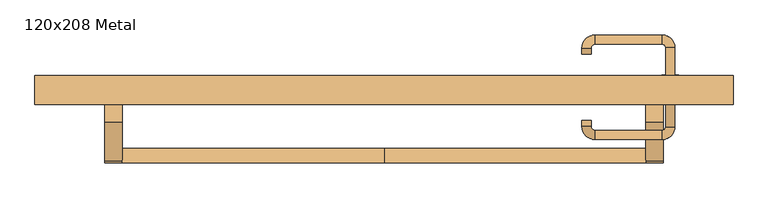
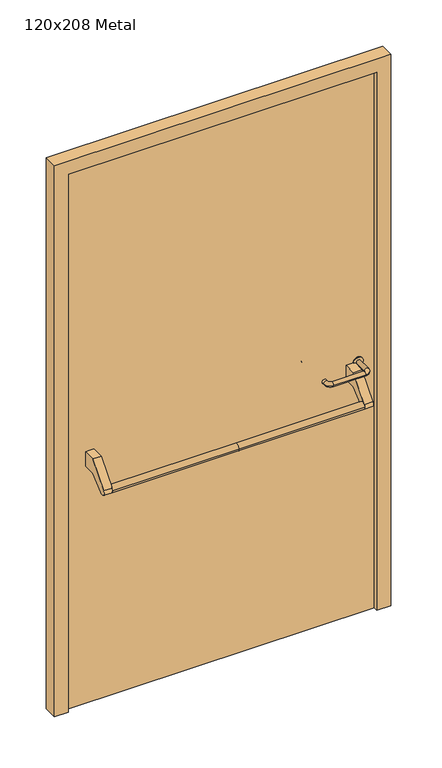
"""IFC4 building model written with IfcOpenShell, lengths in millimetres: door geometry, 120x208 Metal."""

from ifc_helpers import new_model, si_unit, point, frame, frame_2d, origin, origin_with_axes, place, context, project, spatial, polyline, circle_curve, ellipse_curve, trimmed, segment, composite_curve, outline, extrude, source, transform, mapped, element, save
from ifc_brep_helpers import plane_surface, cylinder_surface, revolved_surface, advanced_brep


def door_120x208_metal_aecf85a4(model_context):
    return source(origin(), model_context, "Body", "SolidModel", [
        advanced_brep(
        [(-450.0, 14.5828565, 861.5304884), (-450.0, -10.4171435, 861.5304884), (0.0, 14.5828565, 861.5304884), (0.0, -10.4171435, 861.5304884), (450.0, 14.5828565, 861.5304884), (450.0, -10.4171435, 861.5304884)],
        [
            (0, 1, circle_curve(frame((-450.0, 2.0828565, 861.5304884), z_axis=(-1.0, 0.0, 0.0), x_axis=(0.0, -1.0, 0.0)), 12.5)),
            (1, 0, circle_curve(frame((-450.0, 2.0828565, 861.5304884), z_axis=(-1.0, 0.0, 0.0), x_axis=(0.0, -1.0, 0.0)), 12.5)),
            (0, 2),
            (2, 3, circle_curve(frame((0.0, 2.0828565, 861.5304884), z_axis=(-1.0, 0.0, 0.0), x_axis=(0.0, -1.0, 0.0)), 12.5)),
            (3, 1),
            (3, 2, circle_curve(frame((0.0, 2.0828565, 861.5304884), z_axis=(-1.0, 0.0, 0.0), x_axis=(0.0, -1.0, 0.0)), 12.5)),
            (4, 5, circle_curve(frame((450.0, 2.0828565, 861.5304884), z_axis=(1.0, 0.0, 0.0), x_axis=(0.0, -1.0, 0.0)), 12.5)),
            (5, 4, circle_curve(frame((450.0, 2.0828565, 861.5304884), z_axis=(1.0, 0.0, 0.0), x_axis=(0.0, -1.0, 0.0)), 12.5)),
            (5, 3),
            (2, 4),
        ],
        [
            plane_surface(frame((-450.0, -10.4171435, 861.5304884), z_axis=(-1.0, 0.0, 0.0), x_axis=(0.0, 0.0, -1.0))),
            cylinder_surface(frame((-450.0, 2.0828565, 861.5304884), z_axis=(1.0, 0.0, 0.0), x_axis=(0.0, -1.0, 0.0)), 12.5),
            plane_surface(frame((450.0, -10.4171435, 861.5304884), z_axis=(1.0, 0.0, 0.0), x_axis=(0.0, 0.0, 1.0))),
            cylinder_surface(frame((0.0, 2.0828565, 861.5304884), z_axis=(1.0, 0.0, 0.0), x_axis=(0.0, -1.0, 0.0)), 12.5),
        ],
        [
            (0, [[1, 2]]),
            (1, [[3, 4, 5, -1]]),
            (1, [[-5, 6, -3, -2]]),
            (2, [[7, 8]]),
            (3, [[9, -4, 10, -8]]),
            (3, [[-10, -6, -9, -7]]),
        ],
    ),
        extrude(outline(composite_curve([segment(polyline([(60.0, 950.0), (105.0, 950.0), (105.0, 895.2768379), (61.4513009, 895.2768379), (11.6584121, 853.4956432)]), True, "CONTINUOUS"), segment(trimmed(circle_curve(frame_2d((2.0828565, 861.5304884)), 12.5), [point((11.6584121, 853.4956432))], [point((-7.492699, 869.5653335))], False, "CARTESIAN"), True, "CONTINUOUS"), segment(polyline([(-7.492699, 869.5653335), (60.0, 950.0)]), True, "CONTINUOUS")], self_intersect=False)), frame((-480.0, 0.0, 0.0), z_axis=(1.0, 0.0, 0.0), x_axis=(0.0, 1.0, 0.0)), (0.0, 0.0, 1.0), 30.0),
        extrude(outline(composite_curve([segment(polyline([(60.0, 950.0), (105.0, 950.0), (105.0, 895.2768379), (61.4513009, 895.2768379), (11.6584121, 853.4956432)]), True, "CONTINUOUS"), segment(trimmed(circle_curve(frame_2d((2.0828565, 861.5304884)), 12.5), [point((11.6584121, 853.4956432))], [point((-7.492699, 869.5653335))], False, "CARTESIAN"), True, "CONTINUOUS"), segment(polyline([(-7.492699, 869.5653335), (60.0, 950.0)]), True, "CONTINUOUS")], self_intersect=False)), frame((450.0, 0.0, 0.0), z_axis=(1.0, 0.0, 0.0), x_axis=(0.0, 1.0, 0.0)), (0.0, 0.0, 1.0), 30.0),
        extrude(outline(composite_curve([segment(trimmed(circle_curve(frame_2d((897.3605726, 492.0)), 15.0), [point((897.3605726, 507.0))], [point((897.3605726, 477.0))], False, "CARTESIAN"), True, "CONTINUOUS"), segment(trimmed(circle_curve(frame_2d((897.3605726, 492.0)), 15.0), [point((897.3605726, 477.0))], [point((897.3605726, 507.0))], False, "CARTESIAN"), True, "CONTINUOUS")], self_intersect=False), holes=[composite_curve([segment(trimmed(circle_curve(frame_2d((892.5833211, 491.9398032)), 2.0), [point((892.5833211, 493.9398032))], [point((892.5833211, 489.9398032))], True, "CARTESIAN"), True, "CONTINUOUS"), segment(polyline([(892.5833211, 489.9398032), (902.5833211, 489.9398032)]), True, "CONTINUOUS"), segment(trimmed(circle_curve(frame_2d((902.5833211, 491.9398032)), 2.0), [point((902.5833211, 489.9398032))], [point((902.5833211, 493.9398032))], True, "CARTESIAN"), True, "CONTINUOUS"), segment(polyline([(902.5833211, 493.9398032), (892.5833211, 493.9398032)]), True, "CONTINUOUS")], self_intersect=False)]), frame((0.0, 98.65, 0.0), z_axis=(0.0, 1.0, 0.0), x_axis=(0.0, 0.0, 1.0)), (0.0, 0.0, 1.0), 6.35),
        extrude(outline(composite_curve([segment(trimmed(circle_curve(frame_2d((950.0, 492.0)), 17.526), [point((950.0, 509.526))], [point((950.0, 474.474))], False, "CARTESIAN"), True, "CONTINUOUS"), segment(trimmed(circle_curve(frame_2d((950.0, 492.0)), 17.526), [point((950.0, 474.474))], [point((950.0, 509.526))], False, "CARTESIAN"), True, "CONTINUOUS")], self_intersect=False)), frame((0.0, 101.825, 0.0), z_axis=(0.0, 1.0, 0.0), x_axis=(0.0, 0.0, 1.0)), (0.0, 0.0, 1.0), 3.175),
        advanced_brep(
        [(500.0, 105.0, 950.0), (484.0, 105.0, 950.0), (484.0, 52.0, 950.0), (500.0, 52.0, 950.0), (477.8578644, 45.8578644, 950.0), (477.8578644, 29.8578644, 950.0), (362.8578644, 45.8578644, 950.0), (362.8578644, 29.8578644, 950.0), (356.008622, 52.7071068, 950.0), (340.008622, 52.7071068, 950.0), (340.008622, 62.7071068, 950.0), (356.008622, 62.7071068, 950.0)],
        [
            (0, 1, circle_curve(frame((492.0, 105.0, 950.0), z_axis=(0.0, 1.0, 0.0), x_axis=(-1.0, 0.0, 0.0)), 8.0)),
            (1, 0, circle_curve(frame((492.0, 105.0, 950.0), z_axis=(0.0, 1.0, 0.0), x_axis=(-1.0, 0.0, 0.0)), 8.0)),
            (1, 2),
            (2, 3, circle_curve(frame((492.0, 52.0, 950.0), z_axis=(0.0, 1.0, 0.0), x_axis=(-1.0, 0.0, 0.0)), 8.0)),
            (3, 0),
            (3, 2, circle_curve(frame((492.0, 52.0, 950.0), z_axis=(0.0, 1.0, 0.0), x_axis=(-1.0, 0.0, 0.0)), 8.0)),
            (4, 5, circle_curve(frame((477.8578644, 37.8578644, 950.0), z_axis=(1.0, 0.0, 0.0), x_axis=(0.0, 1.0, 0.0)), 8.0)),
            (5, 3, circle_curve(frame((477.8578644, 52.0, 950.0), z_axis=(0.0, 0.0, 1.0), x_axis=(1.0, 0.0, 0.0)), 22.1421356)),
            (2, 4, circle_curve(frame((477.8578644, 52.0, 950.0), z_axis=(0.0, 0.0, -1.0), x_axis=(1.0, 0.0, 0.0)), 6.1421356)),
            (5, 4, circle_curve(frame((477.8578644, 37.8578644, 950.0), z_axis=(1.0, 0.0, 0.0), x_axis=(0.0, 1.0, 0.0)), 8.0)),
            (4, 6),
            (6, 7, circle_curve(frame((362.8578644, 37.8578644, 950.0), z_axis=(1.0, 0.0, 0.0), x_axis=(0.0, 1.0, 0.0)), 8.0)),
            (7, 5),
            (7, 6, circle_curve(frame((362.8578644, 37.8578644, 950.0), z_axis=(1.0, 0.0, 0.0), x_axis=(0.0, 1.0, 0.0)), 8.0)),
            (8, 9, circle_curve(frame((348.008622, 52.7071068, 950.0), z_axis=(0.0, -1.0, 0.0), x_axis=(1.0, 0.0, 0.0)), 8.0)),
            (9, 7, circle_curve(frame((362.8578644, 52.7071068, 950.0), z_axis=(0.0, 0.0, 1.0), x_axis=(0.0, -1.0, 0.0)), 22.8492424)),
            (6, 8, circle_curve(frame((362.8578644, 52.7071068, 950.0), z_axis=(0.0, 0.0, -1.0), x_axis=(0.0, -1.0, 0.0)), 6.8492424)),
            (9, 8, circle_curve(frame((348.008622, 52.7071068, 950.0), z_axis=(0.0, -1.0, 0.0), x_axis=(1.0, 0.0, 0.0)), 8.0)),
            (10, 11, circle_curve(frame((348.008622, 62.7071068, 950.0), z_axis=(0.0, 1.0, 0.0), x_axis=(1.0, 0.0, 0.0)), 8.0)),
            (11, 10, circle_curve(frame((348.008622, 62.7071068, 950.0), z_axis=(0.0, 1.0, 0.0), x_axis=(1.0, 0.0, 0.0)), 8.0)),
            (8, 11),
            (10, 9),
        ],
        [
            plane_surface(frame((492.0, 105.0, 170.0), z_axis=(0.0, 1.0, 0.0), x_axis=(0.0, 0.0, 1.0))),
            cylinder_surface(frame((492.0, 105.0, 950.0), z_axis=(0.0, 1.0, 0.0), x_axis=(-1.0, 0.0, 0.0)), 8.0),
            revolved_surface(trimmed(ellipse_curve(frame((492.0, 52.0, 950.0), z_axis=(0.0, -1.0, 0.0), x_axis=(-1.0, 0.0, 0.0)), 8.0, 8.0), [point((500.0, 52.0, 950.0))], [point((484.0, 52.0, 950.0))], True, "CARTESIAN"), (477.8578644, 52.0, 170.0), (0.0, 0.0, 1.0)),
            revolved_surface(trimmed(ellipse_curve(frame((492.0, 52.0, 950.0), z_axis=(0.0, -1.0, 0.0), x_axis=(-1.0, 0.0, 0.0)), 8.0, 8.0), [point((484.0, 52.0, 950.0))], [point((500.0, 52.0, 950.0))], True, "CARTESIAN"), (477.8578644, 52.0, 170.0), (0.0, 0.0, 1.0)),
            cylinder_surface(frame((477.8578644, 37.8578644, 950.0), z_axis=(1.0, 0.0, 0.0), x_axis=(0.0, 1.0, 0.0)), 8.0),
            revolved_surface(trimmed(ellipse_curve(frame((362.8578644, 37.8578644, 950.0), z_axis=(-1.0, 0.0, 0.0), x_axis=(0.0, 1.0, 0.0)), 8.0, 8.0), [point((362.8578644, 29.8578644, 950.0))], [point((362.8578644, 45.8578644, 950.0))], True, "CARTESIAN"), (362.8578644, 52.7071068, 170.0), (0.0, 0.0, 1.0)),
            revolved_surface(trimmed(ellipse_curve(frame((362.8578644, 37.8578644, 950.0), z_axis=(-1.0, 0.0, 0.0), x_axis=(0.0, 1.0, 0.0)), 8.0, 8.0), [point((362.8578644, 45.8578644, 950.0))], [point((362.8578644, 29.8578644, 950.0))], True, "CARTESIAN"), (362.8578644, 52.7071068, 170.0), (0.0, 0.0, 1.0)),
            plane_surface(frame((348.008622, 62.7071068, 170.0), z_axis=(0.0, 1.0, 0.0), x_axis=(0.0, 0.0, 1.0))),
            cylinder_surface(frame((348.008622, 52.7071068, 950.0), z_axis=(0.0, -1.0, 0.0), x_axis=(1.0, 0.0, 0.0)), 8.0),
        ],
        [
            (0, [[1, 2]]),
            (1, [[3, 4, 5, -2]]),
            (1, [[-5, 6, -3, -1]]),
            (2, [[7, 8, -4, 9]]),
            (3, [[10, -9, -6, -8]]),
            (4, [[11, 12, 13, -7]]),
            (4, [[-13, 14, -11, -10]]),
            (5, [[15, 16, -12, 17]]),
            (6, [[18, -17, -14, -16]]),
            (7, [[19, 20]]),
            (8, [[21, -19, 22, -15]]),
            (8, [[-22, -20, -21, -18]]),
        ],
    ),
        extrude(outline(composite_curve([segment(trimmed(circle_curve(frame_2d((0.0, -15.0)), 15.0), [point((0.0, -30.0))], [point((0.0, 0.0))], False, "CARTESIAN"), True, "CONTINUOUS"), segment(trimmed(circle_curve(frame_2d((0.0, -15.0)), 15.0), [point((0.0, 0.0))], [point((0.0, -30.0))], False, "CARTESIAN"), True, "CONTINUOUS")], self_intersect=False), holes=[composite_curve([segment(trimmed(circle_curve(frame_2d((4.7772515, -14.9398032)), 2.0), [point((4.7772515, -16.9398032))], [point((4.7772515, -12.9398032))], True, "CARTESIAN"), True, "CONTINUOUS"), segment(polyline([(4.7772515, -12.9398032), (-5.2227485, -12.9398032)]), True, "CONTINUOUS"), segment(trimmed(circle_curve(frame_2d((-5.2227485, -14.9398032)), 2.0), [point((-5.2227485, -12.9398032))], [point((-5.2227485, -16.9398032))], True, "CARTESIAN"), True, "CONTINUOUS"), segment(polyline([(-5.2227485, -16.9398032), (4.7772515, -16.9398032)]), True, "CONTINUOUS")], self_intersect=False)]), frame((477.0, 135.0, 897.3605726), z_axis=(1.8870575173328306e-12, 1.0, 0.0), x_axis=(0.0, 0.0, -1.0)), (0.0, 0.0, 1.0), 6.35),
        extrude(outline(composite_curve([segment(trimmed(circle_curve(frame_2d((0.0, -17.526)), 17.526), [point((0.0, -35.052))], [point((0.0, 0.0))], False, "CARTESIAN"), True, "CONTINUOUS"), segment(trimmed(circle_curve(frame_2d((0.0, -17.526)), 17.526), [point((0.0, 0.0))], [point((0.0, -35.052))], False, "CARTESIAN"), True, "CONTINUOUS")], self_intersect=False)), frame((474.474, 135.0, 950.0), z_axis=(1.8870575173328306e-12, 1.0, 0.0), x_axis=(0.0, 0.0, -1.0)), (0.0, 0.0, 1.0), 3.175),
        advanced_brep(
        [(500.0, 135.0, 950.0), (484.0, 135.0, 950.0), (500.0, 188.0, 950.0), (484.0, 188.0, 950.0), (477.8578644, 194.1421356, 950.0), (477.8578644, 210.1421356, 950.0), (362.8578644, 210.1421356, 950.0), (362.8578644, 194.1421356, 950.0), (356.008622, 187.2928932, 950.0), (340.008622, 187.2928932, 950.0), (340.008622, 177.2928932, 950.0), (356.008622, 177.2928932, 950.0)],
        [
            (0, 1, circle_curve(frame((492.0, 135.0, 950.0), z_axis=(-1.888672253512351e-12, -1.0, 0.0), x_axis=(-1.0, 1.888672253512351e-12, 0.0)), 8.0)),
            (1, 0, circle_curve(frame((492.0, 135.0, 950.0), z_axis=(-1.888672253512351e-12, -1.0, 0.0), x_axis=(-1.0, 1.888672253512351e-12, 0.0)), 8.0)),
            (0, 2),
            (2, 3, circle_curve(frame((492.0, 188.0, 950.0), z_axis=(-1.888672253512351e-12, -1.0, 0.0), x_axis=(-1.0, 1.888672253512351e-12, 0.0)), 8.0)),
            (3, 1),
            (3, 2, circle_curve(frame((492.0, 188.0, 950.0), z_axis=(-1.888672253512351e-12, -1.0, 0.0), x_axis=(-1.0, 1.888672253512351e-12, 0.0)), 8.0)),
            (4, 3, circle_curve(frame((477.8578644, 188.0, 950.0), z_axis=(0.0, 0.0, -1.0), x_axis=(1.0, -1.880717803715015e-12, 0.0)), 6.1421356)),
            (2, 5, circle_curve(frame((477.8578644, 188.0, 950.0), z_axis=(0.0, 0.0, 1.0), x_axis=(1.0, -1.880717803715015e-12, 0.0)), 22.1421356)),
            (5, 4, circle_curve(frame((477.8578644, 202.1421356, 950.0), z_axis=(1.0, -1.913702061528922e-12, 0.0), x_axis=(-1.913702061528922e-12, -1.0, 0.0)), 8.0)),
            (4, 5, circle_curve(frame((477.8578644, 202.1421356, 950.0), z_axis=(1.0, -1.913702061528922e-12, 0.0), x_axis=(-1.913702061528922e-12, -1.0, 0.0)), 8.0)),
            (5, 6),
            (6, 7, circle_curve(frame((362.8578644, 202.1421356, 950.0), z_axis=(1.0, -1.913719828541269e-12, 0.0), x_axis=(-1.913719828541269e-12, -1.0, 0.0)), 8.0)),
            (7, 4),
            (7, 6, circle_curve(frame((362.8578644, 202.1421356, 950.0), z_axis=(1.0, -1.913719828541269e-12, 0.0), x_axis=(-1.913719828541269e-12, -1.0, 0.0)), 8.0)),
            (8, 7, circle_curve(frame((362.8578644, 187.2928932, 950.0), z_axis=(0.0, 0.0, -1.0), x_axis=(1.9120873253494017e-12, 1.0, 0.0)), 6.8492424)),
            (6, 9, circle_curve(frame((362.8578644, 187.2928932, 950.0), z_axis=(0.0, 0.0, 1.0), x_axis=(1.9120873253494017e-12, 1.0, 0.0)), 22.8492424)),
            (9, 8, circle_curve(frame((348.008622, 187.2928932, 950.0), z_axis=(1.890670654956676e-12, 1.0, 0.0), x_axis=(1.0, -1.890670654956676e-12, 0.0)), 8.0)),
            (8, 9, circle_curve(frame((348.008622, 187.2928932, 950.0), z_axis=(1.890226565746826e-12, 1.0, 0.0), x_axis=(1.0, -1.890226565746826e-12, 0.0)), 8.0)),
            (10, 11, circle_curve(frame((348.008622, 177.2928932, 950.0), z_axis=(-1.8903642334018795e-12, -1.0, 0.0), x_axis=(1.0, -1.8903642334018795e-12, 0.0)), 8.0)),
            (11, 10, circle_curve(frame((348.008622, 177.2928932, 950.0), z_axis=(-1.8903642334018795e-12, -1.0, 0.0), x_axis=(1.0, -1.8903642334018795e-12, 0.0)), 8.0)),
            (9, 10),
            (11, 8),
        ],
        [
            plane_surface(frame((492.0, 135.0, 170.0), z_axis=(-1.8870575173328306e-12, -1.0, 0.0), x_axis=(0.0, 0.0, 1.0))),
            cylinder_surface(frame((492.0, 135.0, 950.0), z_axis=(-1.888672253512351e-12, -1.0, 0.0), x_axis=(-1.0, 1.888672253512351e-12, 0.0)), 8.0),
            revolved_surface(trimmed(ellipse_curve(frame((492.0, 188.0, 950.0), z_axis=(-1.8823325398945356e-12, -1.0, 0.0), x_axis=(-1.0, 1.8823325398945356e-12, 0.0)), 8.0, 8.0), [point((500.0, 188.0, 950.0))], [point((484.0, 188.0, 950.0))], True, "CARTESIAN"), (477.8578644, 188.0, 170.0), (0.0, 0.0, 1.0)),
            revolved_surface(trimmed(ellipse_curve(frame((492.0, 188.0, 950.0), z_axis=(-1.8823325398945356e-12, -1.0, 0.0), x_axis=(-1.0, 1.8823325398945356e-12, 0.0)), 8.0, 8.0), [point((484.0, 188.0, 950.0))], [point((500.0, 188.0, 950.0))], True, "CARTESIAN"), (477.8578644, 188.0, 170.0), (0.0, 0.0, 1.0)),
            cylinder_surface(frame((477.8578644, 202.1421356, 950.0), z_axis=(1.0, -1.913719828541269e-12, 0.0), x_axis=(-1.913719828541269e-12, -1.0, 0.0)), 8.0),
            revolved_surface(trimmed(ellipse_curve(frame((362.8578644, 202.1421356, 950.0), z_axis=(1.0, -1.913702061528922e-12, 0.0), x_axis=(-1.913702061528922e-12, -1.0, 0.0)), 8.0, 8.0), [point((362.8578644, 210.1421356, 950.0))], [point((362.8578644, 194.1421356, 950.0))], True, "CARTESIAN"), (362.8578644, 187.2928932, 170.0), (0.0, 0.0, 1.0)),
            revolved_surface(trimmed(ellipse_curve(frame((362.8578644, 202.1421356, 950.0), z_axis=(1.0, -1.913702061528922e-12, 0.0), x_axis=(-1.913702061528922e-12, -1.0, 0.0)), 8.0, 8.0), [point((362.8578644, 194.1421356, 950.0))], [point((362.8578644, 210.1421356, 950.0))], True, "CARTESIAN"), (362.8578644, 187.2928932, 170.0), (0.0, 0.0, 1.0)),
            plane_surface(frame((348.008622, 177.2928932, 170.0), z_axis=(-1.8887494972223595e-12, -1.0, 0.0), x_axis=(0.0, 0.0, 1.0))),
            cylinder_surface(frame((348.008622, 187.2928932, 950.0), z_axis=(1.8903642334018795e-12, 1.0, 0.0), x_axis=(1.0, -1.8903642334018795e-12, 0.0)), 8.0),
        ],
        [
            (0, [[1, 2]]),
            (1, [[-1, 3, 4, 5]]),
            (1, [[-2, -5, 6, -3]]),
            (2, [[7, -4, 8, 9]]),
            (3, [[-8, -6, -7, 10]]),
            (4, [[-9, 11, 12, 13]]),
            (4, [[-10, -13, 14, -11]]),
            (5, [[15, -12, 16, 17]]),
            (6, [[-16, -14, -15, 18]]),
            (7, [[19, 20]]),
            (8, [[-17, 21, -20, 22]]),
            (8, [[-18, -22, -19, -21]]),
        ],
    ),
        extrude(outline(polyline([(2030.0, 550.0), (0.0, 550.0), (0.0, 600.0), (2080.0, 600.0), (2080.0, -600.0), (0.0, -600.0), (0.0, -550.0), (2030.0, -550.0), (2030.0, 550.0)])), frame((0.0, 90.0, 0.0), z_axis=(0.0, 1.0, 0.0), x_axis=(0.0, 0.0, 1.0)), (0.0, 0.0, 1.0), 50.0),
        extrude(outline(polyline([(-550.0, 135.0), (550.0, 135.0), (550.0, 105.0), (-550.0, 105.0), (-550.0, 135.0)])), origin_with_axes(), (0.0, 0.0, 1.0), 2030.0),
    ])


if __name__ == "__main__":
    model = new_model("IFC4")
    model_context = context("Model", 3, world=origin())
    ifc_project = project(units=[si_unit("LENGTHUNIT", "METRE", prefix="MILLI")], contexts=[model_context])
    site = spatial("IfcSite", under=ifc_project)
    building = spatial("IfcBuilding", under=site)
    placement = place(None, origin())
    door_120x208_metal_shape = door_120x208_metal_aecf85a4(model_context)
    element("IfcDoor", 1, ObjectType="120x208 Metal", at=placement, inside=building, context=model_context, shape_type="MappedRepresentation", body=[
        mapped(door_120x208_metal_shape, transform((0.0, 0.0, 0.0), x_axis=(1.0, 0.0, 0.0), y_axis=(0.0, 1.0, 0.0), z_axis=(0.0, 0.0, 1.0))),
    ])
    save(model, "model.ifc")
